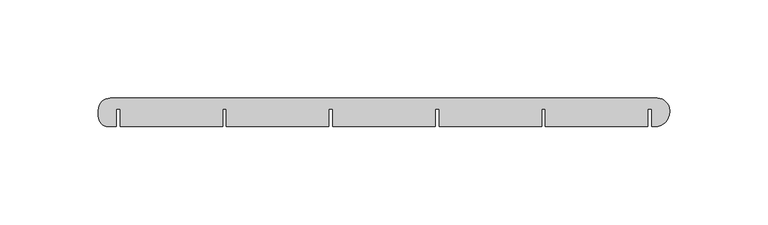
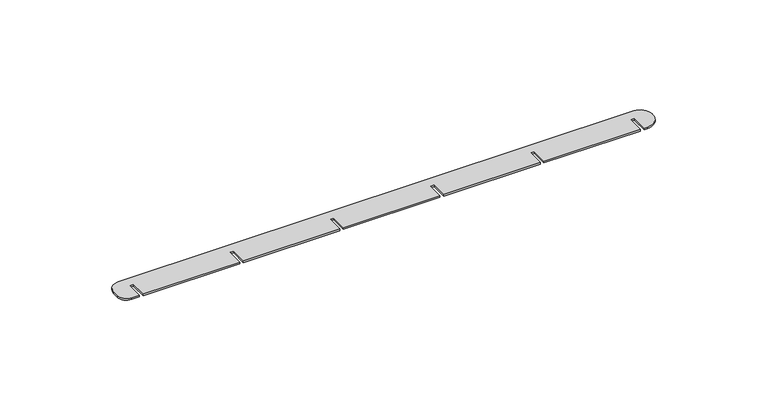
"""IFC4 building model written with IfcOpenShell, lengths in millimetres: proxy geometry."""

from ifc_helpers import new_model, si_unit, point, frame_2d, origin, origin_with_axes, place, context, project, spatial, polyline, circle_curve, trimmed, segment, composite_curve, outline, extrude, source, transform, mapped, element, save


def generic_models_b5ff5d8c(model_context):
    return source(origin(), model_context, "Body", "SweptSolid", [
        extrude(outline(composite_curve([segment(trimmed(circle_curve(frame_2d((273.8017997, 8.2017997)), 6.1982003), [point((273.8017997, 14.4))], [point((280.0, 8.2017997))], False, "CARTESIAN"), True, "CONTINUOUS"), segment(polyline([(280.0, 8.2017997), (280.0, 7.4)]), True, "CONTINUOUS"), segment(trimmed(circle_curve(frame_2d((272.6, 7.4)), 7.4), [point((280.0, 7.4))], [point((272.6, 0.0))], False, "CARTESIAN"), True, "CONTINUOUS"), segment(polyline([(272.6, 0.0), (271.0, 0.0), (271.0, 9.0), (269.0, 9.0), (269.0, 0.0), (217.0, 0.0), (217.0, 9.0), (215.0, 9.0), (215.0, 0.0), (163.0, 0.0), (163.0, 9.0), (161.0, 9.0), (161.0, 0.0), (109.0, 0.0), (109.0, 9.0), (107.0, 9.0), (107.0, 0.0), (55.0, 0.0), (55.0, 9.0), (53.0, 9.0), (53.0, 0.0), (1.0, 0.0), (1.0, 9.0), (-1.0, 9.0), (-1.0, 0.0), (-5.0, 0.0)]), True, "CONTINUOUS"), segment(trimmed(circle_curve(frame_2d((-5.0, 5.0)), 5.0), [point((-5.0, 0.0))], [point((-10.0, 5.0))], False, "CARTESIAN"), True, "CONTINUOUS"), segment(polyline([(-10.0, 5.0), (-10.0, 8.3656042)]), True, "CONTINUOUS"), segment(trimmed(circle_curve(frame_2d((-3.9656042, 8.3656042)), 6.0343958), [point((-10.0, 8.3656042))], [point((-3.9656042, 14.4))], False, "CARTESIAN"), True, "CONTINUOUS"), segment(polyline([(-3.9656042, 14.4), (273.8017997, 14.4)]), True, "CONTINUOUS")], self_intersect=False)), origin_with_axes(), (0.0, 0.0, 1.0), 1.0),
    ])


if __name__ == "__main__":
    model = new_model("IFC4")
    model_context = context("Model", 3, world=origin())
    ifc_project = project(units=[si_unit("LENGTHUNIT", "METRE", prefix="MILLI")], contexts=[model_context])
    site = spatial("IfcSite", under=ifc_project)
    building = spatial("IfcBuilding", under=site)
    placement = place(None, origin())
    generic_models_shape = generic_models_b5ff5d8c(model_context)
    element("IfcBuildingElementProxy", 1, Name="Generic Models", at=placement, inside=building, context=model_context, shape_type="MappedRepresentation", body=[
        mapped(generic_models_shape, transform((0.0, 0.0, 0.0), x_axis=(1.0, 0.0, 0.0), y_axis=(0.0, 1.0, 0.0), z_axis=(0.0, 0.0, 1.0))),
    ])
    save(model, "model.ifc")
